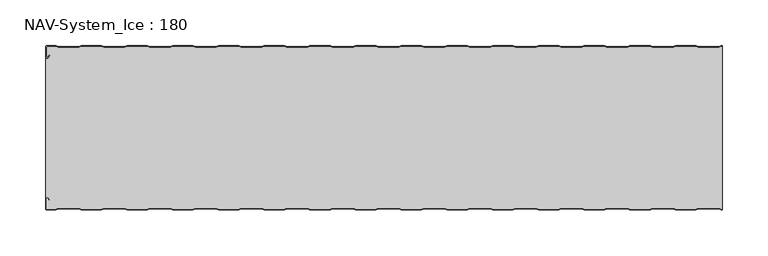
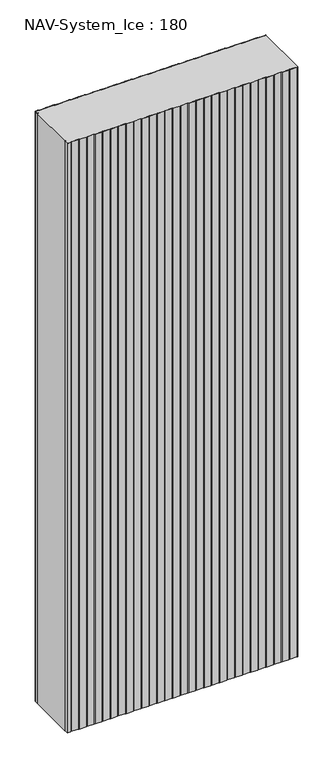
"""IFC4 building model written with IfcOpenShell, lengths in millimetres: plate geometry, NAV-System_Ice : 180."""

from ifc_helpers import new_model, si_unit, point, frame_2d, origin, origin_with_axes, place, context, project, spatial, polyline, circle_curve, trimmed, segment, composite_curve, outline, extrude, source, transform, mapped, element, save


def nav_system_ice_180_2516a42b(model_context):
    return source(origin(), model_context, "Body", "SweptSolid", [
        extrude(outline(composite_curve([segment(polyline([(369.1298221, -0.8), (366.1298221, -1.8), (343.8701779, -1.8), (340.8701779, -0.8), (319.1298221, -0.8), (316.1298221, -1.8), (293.8701779, -1.8), (290.8701779, -0.8), (269.1298221, -0.8), (266.1298221, -1.8), (243.8701779, -1.8), (240.8701779, -0.8), (219.1298221, -0.8), (216.1298221, -1.8), (193.8701779, -1.8), (190.8701779, -0.8), (169.1298221, -0.8), (166.1298221, -1.8), (143.8701779, -1.8), (140.8701779, -0.8), (119.1298221, -0.8), (116.1298221, -1.8), (93.8701779, -1.8), (90.8701779, -0.8), (69.1298221, -0.8), (66.1298221, -1.8), (43.8701779, -1.8), (40.8701779, -0.8), (19.1298221, -0.8), (16.1298221, -1.8), (-6.1298221, -1.8), (-9.1298221, -0.8), (-30.8701779, -0.8), (-33.8701779, -1.8), (-56.1298221, -1.8), (-59.1298221, -0.8), (-80.8701779, -0.8), (-83.8701779, -1.8), (-106.1298221, -1.8), (-109.1298221, -0.8), (-130.8701779, -0.8), (-133.8701779, -1.8), (-156.1298221, -1.8), (-159.1298221, -0.8), (-180.8701779, -0.8), (-183.8701779, -1.8), (-206.1298221, -1.8), (-209.1298221, -0.8), (-230.8701779, -0.8), (-233.8701779, -1.8), (-256.1298221, -1.8), (-259.1298221, -0.8), (-280.8701779, -0.8), (-283.8701779, -1.8), (-306.1298221, -1.8), (-309.1298221, -0.8), (-330.8701779, -0.8), (-333.8701779, -1.8), (-356.1298221, -1.8), (-359.1298221, -0.8), (-368.7, -0.8)]), True, "CONTINUOUS"), segment(trimmed(circle_curve(frame_2d((-368.7, -1.3)), 0.5), [point((-368.7, -0.8))], [point((-369.2, -1.3))], True, "CARTESIAN"), True, "CONTINUOUS"), segment(polyline([(-369.2, -1.3), (-369.2, -12.5857864)]), True, "CONTINUOUS"), segment(trimmed(circle_curve(frame_2d((-368.7, -12.5857864)), 0.5), [point((-369.2, -12.5857864))], [point((-368.3464466, -12.9393398))], True, "CARTESIAN"), True, "CONTINUOUS"), segment(polyline([(-368.3464466, -12.9393398), (-365.9205321, -10.5134253), (-365.3548467, -11.0791108), (-367.7807612, -13.5050253)]), True, "CONTINUOUS"), segment(trimmed(circle_curve(frame_2d((-368.7, -12.5857864)), 1.3), [point((-367.7807612, -13.5050253))], [point((-370.0, -12.5857864))], False, "CARTESIAN"), True, "CONTINUOUS"), segment(polyline([(-370.0, -12.5857864), (-370.0, -1.3)]), True, "CONTINUOUS"), segment(trimmed(circle_curve(frame_2d((-368.7, -1.3)), 1.3), [point((-370.0, -1.3))], [point((-368.7, 0.0))], False, "CARTESIAN"), True, "CONTINUOUS"), segment(polyline([(-368.7, 0.0), (-359.0, 0.0), (-356.0, -1.0), (-334.0, -1.0), (-331.0, 0.0), (-309.0, 0.0), (-306.0, -1.0), (-284.0, -1.0), (-281.0, 0.0), (-259.0, 0.0), (-256.0, -1.0), (-234.0, -1.0), (-231.0, 0.0), (-209.0, 0.0), (-206.0, -1.0), (-184.0, -1.0), (-181.0, 0.0), (-159.0, 0.0), (-156.0, -1.0), (-134.0, -1.0), (-131.0, 0.0), (-109.0, 0.0), (-106.0, -1.0), (-84.0, -1.0), (-81.0, 0.0), (-59.0, 0.0), (-56.0, -1.0), (-34.0, -1.0), (-31.0, 0.0), (-9.0, 0.0), (-6.0, -1.0), (16.0, -1.0), (19.0, 0.0), (41.0, 0.0), (44.0, -1.0), (66.0, -1.0), (69.0, 0.0), (91.0, 0.0), (94.0, -1.0), (116.0, -1.0), (119.0, 0.0), (141.0, 0.0), (144.0, -1.0), (166.0, -1.0), (169.0, 0.0), (191.0, 0.0), (194.0, -1.0), (216.0, -1.0), (219.0, 0.0), (241.0, 0.0), (244.0, -1.0), (266.0, -1.0), (269.0, 0.0), (291.0, 0.0), (294.0, -1.0), (316.0, -1.0), (319.0, 0.0), (341.0, 0.0), (344.0, -1.0), (366.0, -1.0), (369.0, 0.0), (370.0, 0.0), (370.0, -0.8), (369.1298221, -0.8)]), True, "CONTINUOUS")], self_intersect=False)), origin_with_axes(), (0.0, 0.0, 1.0), 2000.0),
        extrude(outline(composite_curve([segment(polyline([(369.1298221, -179.2), (366.1298221, -178.2), (343.8701779, -178.2), (340.8701779, -179.2), (319.1298221, -179.2), (316.1298221, -178.2), (293.8701779, -178.2), (290.8701779, -179.2), (269.1298221, -179.2), (266.1298221, -178.2), (243.8701779, -178.2), (240.8701779, -179.2), (219.1298221, -179.2), (216.1298221, -178.2), (193.8701779, -178.2), (190.8701779, -179.2), (169.1298221, -179.2), (166.1298221, -178.2), (143.8701779, -178.2), (140.8701779, -179.2), (119.1298221, -179.2), (116.1298221, -178.2), (93.8701779, -178.2), (90.8701779, -179.2), (69.1298221, -179.2), (66.1298221, -178.2), (43.8701779, -178.2), (40.8701779, -179.2), (19.1298221, -179.2), (16.1298221, -178.2), (-6.1298221, -178.2), (-9.1298221, -179.2), (-30.8701779, -179.2), (-33.8701779, -178.2), (-56.1298221, -178.2), (-59.1298221, -179.2), (-80.8701779, -179.2), (-83.8701779, -178.2), (-106.1298221, -178.2), (-109.1298221, -179.2), (-130.8701779, -179.2), (-133.8701779, -178.2), (-156.1298221, -178.2), (-159.1298221, -179.2), (-180.8701779, -179.2), (-183.8701779, -178.2), (-206.1298221, -178.2), (-209.1298221, -179.2), (-230.8701779, -179.2), (-233.8701779, -178.2), (-256.1298221, -178.2), (-259.1298221, -179.2), (-280.8701779, -179.2), (-283.8701779, -178.2), (-306.1298221, -178.2), (-309.1298221, -179.2), (-330.8701779, -179.2), (-333.8701779, -178.2), (-356.1298221, -178.2), (-359.1298221, -179.2), (-368.7, -179.2)]), True, "CONTINUOUS"), segment(trimmed(circle_curve(frame_2d((-368.7, -178.7)), 0.5), [point((-368.7, -179.2))], [point((-369.2, -178.7))], False, "CARTESIAN"), True, "CONTINUOUS"), segment(polyline([(-369.2, -178.7), (-369.2, -167.4142136)]), True, "CONTINUOUS"), segment(trimmed(circle_curve(frame_2d((-368.7, -167.4142136)), 0.5), [point((-369.2, -167.4142136))], [point((-368.3464466, -167.0606602))], False, "CARTESIAN"), True, "CONTINUOUS"), segment(polyline([(-368.3464466, -167.0606602), (-365.9205321, -169.4865747), (-365.3548467, -168.9208892), (-367.7807612, -166.4949747)]), True, "CONTINUOUS"), segment(trimmed(circle_curve(frame_2d((-368.7, -167.4142136)), 1.3), [point((-367.7807612, -166.4949747))], [point((-368.7, -166.1142136))], True, "CARTESIAN"), True, "CONTINUOUS"), segment(polyline([(-368.7, -166.1142136), (-370.0, -166.1142136), (-370.0, -13.8857864), (-368.7, -13.8857864)]), True, "CONTINUOUS"), segment(trimmed(circle_curve(frame_2d((-368.7, -12.5857864)), 1.3), [point((-368.7, -13.8857864))], [point((-367.7807612, -13.5050253))], True, "CARTESIAN"), True, "CONTINUOUS"), segment(polyline([(-367.7807612, -13.5050253), (-365.3548467, -11.0791108), (-365.9205321, -10.5134253), (-368.3464466, -12.9393398)]), True, "CONTINUOUS"), segment(trimmed(circle_curve(frame_2d((-368.7, -12.5857864)), 0.5), [point((-368.3464466, -12.9393398))], [point((-369.2, -12.5857864))], False, "CARTESIAN"), True, "CONTINUOUS"), segment(polyline([(-369.2, -12.5857864), (-369.2, -1.3)]), True, "CONTINUOUS"), segment(trimmed(circle_curve(frame_2d((-368.7, -1.3)), 0.5), [point((-369.2, -1.3))], [point((-368.7, -0.8))], False, "CARTESIAN"), True, "CONTINUOUS"), segment(polyline([(-368.7, -0.8), (-359.1298221, -0.8), (-356.1298221, -1.8), (-333.8701779, -1.8), (-330.8701779, -0.8), (-309.1298221, -0.8), (-306.1298221, -1.8), (-283.8701779, -1.8), (-280.8701779, -0.8), (-259.1298221, -0.8), (-256.1298221, -1.8), (-233.8701779, -1.8), (-230.8701779, -0.8), (-209.1298221, -0.8), (-206.1298221, -1.8), (-183.8701779, -1.8), (-180.8701779, -0.8), (-159.1298221, -0.8), (-156.1298221, -1.8), (-133.8701779, -1.8), (-130.8701779, -0.8), (-109.1298221, -0.8), (-106.1298221, -1.8), (-83.8701779, -1.8), (-80.8701779, -0.8), (-59.1298221, -0.8), (-56.1298221, -1.8), (-33.8701779, -1.8), (-30.8701779, -0.8), (-9.1298221, -0.8), (-6.1298221, -1.8), (16.1298221, -1.8), (19.1298221, -0.8), (40.8701779, -0.8), (43.8701779, -1.8), (66.1298221, -1.8), (69.1298221, -0.8), (90.8701779, -0.8), (93.8701779, -1.8), (116.1298221, -1.8), (119.1298221, -0.8), (140.8701779, -0.8), (143.8701779, -1.8), (166.1298221, -1.8), (169.1298221, -0.8), (190.8701779, -0.8), (193.8701779, -1.8), (216.1298221, -1.8), (219.1298221, -0.8), (240.8701779, -0.8), (243.8701779, -1.8), (266.1298221, -1.8), (269.1298221, -0.8), (290.8701779, -0.8), (293.8701779, -1.8), (316.1298221, -1.8), (319.1298221, -0.8), (340.8701779, -0.8), (343.8701779, -1.8), (366.1298221, -1.8), (369.1298221, -0.8), (370.0, -0.8), (370.0, -179.2), (369.1298221, -179.2)]), True, "CONTINUOUS")], self_intersect=False)), origin_with_axes(), (0.0, 0.0, 1.0), 2000.0),
        extrude(outline(composite_curve([segment(polyline([(369.0, -180.0), (366.0, -179.0), (344.0, -179.0), (341.0, -180.0), (319.0, -180.0), (316.0, -179.0), (294.0, -179.0), (291.0, -180.0), (269.0, -180.0), (266.0, -179.0), (244.0, -179.0), (241.0, -180.0), (219.0, -180.0), (216.0, -179.0), (194.0, -179.0), (191.0, -180.0), (169.0, -180.0), (166.0, -179.0), (144.0, -179.0), (141.0, -180.0), (119.0, -180.0), (116.0, -179.0), (94.0, -179.0), (91.0, -180.0), (69.0, -180.0), (66.0, -179.0), (44.0, -179.0), (41.0, -180.0), (19.0, -180.0), (16.0, -179.0), (-6.0, -179.0), (-9.0, -180.0), (-31.0, -180.0), (-34.0, -179.0), (-56.0, -179.0), (-59.0, -180.0), (-81.0, -180.0), (-84.0, -179.0), (-106.0, -179.0), (-109.0, -180.0), (-131.0, -180.0), (-134.0, -179.0), (-156.0, -179.0), (-159.0, -180.0), (-181.0, -180.0), (-184.0, -179.0), (-206.0, -179.0), (-209.0, -180.0), (-231.0, -180.0), (-234.0, -179.0), (-256.0, -179.0), (-259.0, -180.0), (-281.0, -180.0), (-284.0, -179.0), (-306.0, -179.0), (-309.0, -180.0), (-331.0, -180.0), (-334.0, -179.0), (-356.0, -179.0), (-359.0, -180.0), (-368.7, -180.0)]), True, "CONTINUOUS"), segment(trimmed(circle_curve(frame_2d((-368.7, -178.7)), 1.3), [point((-368.7, -180.0))], [point((-370.0, -178.7))], False, "CARTESIAN"), True, "CONTINUOUS"), segment(polyline([(-370.0, -178.7), (-370.0, -167.4142136)]), True, "CONTINUOUS"), segment(trimmed(circle_curve(frame_2d((-368.7, -167.4142136)), 1.3), [point((-370.0, -167.4142136))], [point((-367.7807612, -166.4949747))], False, "CARTESIAN"), True, "CONTINUOUS"), segment(polyline([(-367.7807612, -166.4949747), (-365.3548467, -168.9208892), (-365.9205321, -169.4865747), (-368.3464466, -167.0606602)]), True, "CONTINUOUS"), segment(trimmed(circle_curve(frame_2d((-368.7, -167.4142136)), 0.5), [point((-368.3464466, -167.0606602))], [point((-369.2, -167.4142136))], True, "CARTESIAN"), True, "CONTINUOUS"), segment(polyline([(-369.2, -167.4142136), (-369.2, -178.7)]), True, "CONTINUOUS"), segment(trimmed(circle_curve(frame_2d((-368.7, -178.7)), 0.5), [point((-369.2, -178.7))], [point((-368.7, -179.2))], True, "CARTESIAN"), True, "CONTINUOUS"), segment(polyline([(-368.7, -179.2), (-359.1298221, -179.2), (-356.1298221, -178.2), (-333.8701779, -178.2), (-330.8701779, -179.2), (-309.1298221, -179.2), (-306.1298221, -178.2), (-283.8701779, -178.2), (-280.8701779, -179.2), (-259.1298221, -179.2), (-256.1298221, -178.2), (-233.8701779, -178.2), (-230.8701779, -179.2), (-209.1298221, -179.2), (-206.1298221, -178.2), (-183.8701779, -178.2), (-180.8701779, -179.2), (-159.1298221, -179.2), (-156.1298221, -178.2), (-133.8701779, -178.2), (-130.8701779, -179.2), (-109.1298221, -179.2), (-106.1298221, -178.2), (-83.8701779, -178.2), (-80.8701779, -179.2), (-59.1298221, -179.2), (-56.1298221, -178.2), (-33.8701779, -178.2), (-30.8701779, -179.2), (-9.1298221, -179.2), (-6.1298221, -178.2), (16.1298221, -178.2), (19.1298221, -179.2), (40.8701779, -179.2), (43.8701779, -178.2), (66.1298221, -178.2), (69.1298221, -179.2), (90.8701779, -179.2), (93.8701779, -178.2), (116.1298221, -178.2), (119.1298221, -179.2), (140.8701779, -179.2), (143.8701779, -178.2), (166.1298221, -178.2), (169.1298221, -179.2), (190.8701779, -179.2), (193.8701779, -178.2), (216.1298221, -178.2), (219.1298221, -179.2), (240.8701779, -179.2), (243.8701779, -178.2), (266.1298221, -178.2), (269.1298221, -179.2), (290.8701779, -179.2), (293.8701779, -178.2), (316.1298221, -178.2), (319.1298221, -179.2), (340.8701779, -179.2), (343.8701779, -178.2), (366.1298221, -178.2), (369.1298221, -179.2), (370.0, -179.2), (370.0, -180.0), (369.0, -180.0)]), True, "CONTINUOUS")], self_intersect=False)), origin_with_axes(), (0.0, 0.0, 1.0), 2000.0),
    ])


if __name__ == "__main__":
    model = new_model("IFC4")
    model_context = context("Model", 3, world=origin())
    ifc_project = project(units=[si_unit("LENGTHUNIT", "METRE", prefix="MILLI")], contexts=[model_context])
    site = spatial("IfcSite", under=ifc_project)
    building = spatial("IfcBuilding", under=site)
    placement = place(None, origin())
    nav_system_ice_180_shape = nav_system_ice_180_2516a42b(model_context)
    element("IfcPlate", 1, ObjectType="NAV-System_Ice : 180", at=placement, inside=building, context=model_context, shape_type="MappedRepresentation", body=[
        mapped(nav_system_ice_180_shape, transform((0.0, 0.0, 0.0), x_axis=(1.0, 0.0, 0.0), y_axis=(0.0, 1.0, 0.0), z_axis=(0.0, 0.0, 1.0))),
    ])
    save(model, "model.ifc")
